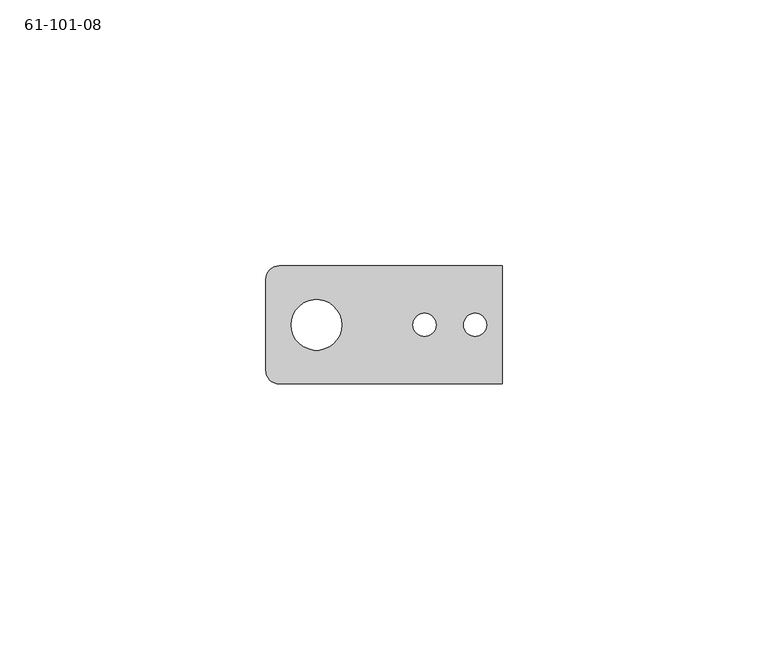
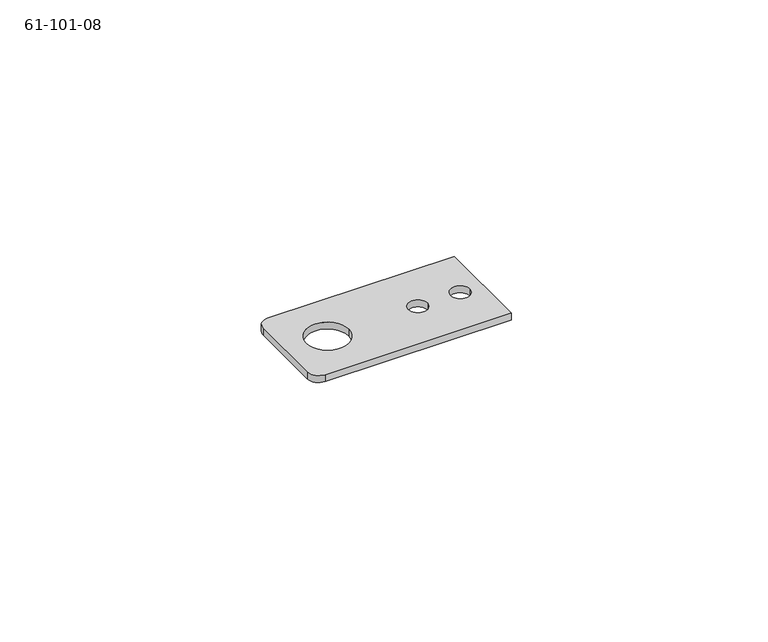
"""IFC4 building model written with IfcOpenShell, lengths in millimetres: proxy geometry, 61-101-08."""

from ifc_helpers import new_model, si_unit, point, frame_2d, origin, origin_with_axes, place, context, project, spatial, polyline, circle_curve, trimmed, segment, composite_curve, outline, extrude, source, transform, mapped, element, save


def proxy_61_101_08_e0e28264(model_context):
    return source(origin(), model_context, "Body", "SweptSolid", [
        extrude(outline(composite_curve([segment(trimmed(circle_curve(frame_2d((-13.0494672, 12.0548389)), 2.54), [point((-15.5894672, 12.0548389))], [point((-13.0494672, 14.5948389))], False, "CARTESIAN"), True, "CONTINUOUS"), segment(polyline([(-13.0494672, 14.5948389), (28.8605328, 14.5948389), (28.8605328, -7.6301611), (-13.0494672, -7.6301611)]), True, "CONTINUOUS"), segment(trimmed(circle_curve(frame_2d((-13.0494672, -5.0901611)), 2.54), [point((-13.0494672, -7.6301611))], [point((-15.5894672, -5.0901611))], False, "CARTESIAN"), True, "CONTINUOUS"), segment(polyline([(-15.5894672, -5.0901611), (-15.5894672, 12.0548389)]), True, "CONTINUOUS")], self_intersect=False), holes=[composite_curve([segment(trimmed(circle_curve(frame_2d((-6.0644672, 3.4823389)), 4.7625), [point((-1.3019672, 3.4823389))], [point((-10.8269672, 3.4823389))], True, "CARTESIAN"), True, "CONTINUOUS"), segment(trimmed(circle_curve(frame_2d((-6.0644672, 3.4823389)), 4.7625), [point((-10.8269672, 3.4823389))], [point((-1.3019672, 3.4823389))], True, "CARTESIAN"), True, "CONTINUOUS")], self_intersect=False), composite_curve([segment(trimmed(circle_curve(frame_2d((14.2555328, 3.4823389)), 2.1717), [point((16.4272328, 3.4823389))], [point((12.0838328, 3.4823389))], True, "CARTESIAN"), True, "CONTINUOUS"), segment(trimmed(circle_curve(frame_2d((14.2555328, 3.4823389)), 2.1717), [point((12.0838328, 3.4823389))], [point((16.4272328, 3.4823389))], True, "CARTESIAN"), True, "CONTINUOUS")], self_intersect=False), composite_curve([segment(trimmed(circle_curve(frame_2d((23.7805328, 3.4823389)), 2.1717), [point((25.9522328, 3.4823389))], [point((21.6088328, 3.4823389))], True, "CARTESIAN"), True, "CONTINUOUS"), segment(trimmed(circle_curve(frame_2d((23.7805328, 3.4823389)), 2.1717), [point((21.6088328, 3.4823389))], [point((25.9522328, 3.4823389))], True, "CARTESIAN"), True, "CONTINUOUS")], self_intersect=False)]), origin_with_axes(), (0.0, 0.0, 1.0), 1.6129),
    ])


if __name__ == "__main__":
    model = new_model("IFC4")
    model_context = context("Model", 3, world=origin())
    ifc_project = project(units=[si_unit("LENGTHUNIT", "METRE", prefix="MILLI")], contexts=[model_context])
    site = spatial("IfcSite", under=ifc_project)
    building = spatial("IfcBuilding", under=site)
    placement = place(None, origin())
    proxy_61_101_08_shape = proxy_61_101_08_e0e28264(model_context)
    element("IfcBuildingElementProxy", 1, Name="61-101-08", ObjectType="61-101-08", at=placement, inside=building, context=model_context, shape_type="MappedRepresentation", body=[
        mapped(proxy_61_101_08_shape, transform((0.0, 0.0, 0.0), x_axis=(1.0, 0.0, 0.0), y_axis=(0.0, 1.0, 0.0), z_axis=(0.0, 0.0, 1.0))),
    ])
    save(model, "model.ifc")
